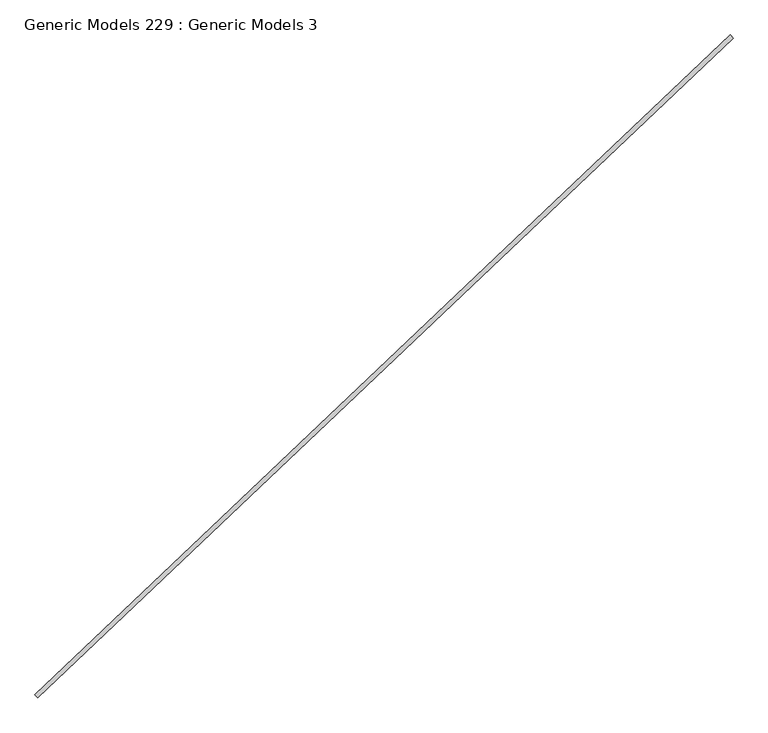
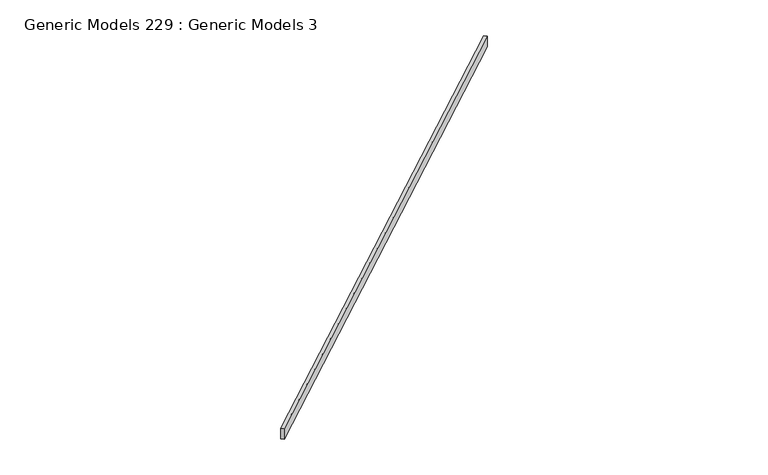
"""IFC4 building model written with IfcOpenShell, lengths in millimetres: proxy geometry, Generic Models 229 : Generic Models 3."""

from ifc_helpers import new_model, si_unit, frame, origin, place, context, project, spatial, polyline, outline, extrude, source, transform, mapped, element, save


def generic_models_229_generic_models_3_b7c2eba0(model_context):
    return source(origin(), model_context, "Body", "SweptSolid", [
        extrude(outline(polyline([(116070.6248316, 52946.4308416), (116126.1915765, 52887.8757101), (103387.9466503, 40799.732633), (103332.3799053, 40858.2877645), (116070.6248316, 52946.4308416)])), frame((0.0, 0.0, 17999.0449279), z_axis=(0.0, 0.0, 1.0), x_axis=(1.0, 0.0, 0.0)), (0.0, 0.0, 1.0), 322.3488355),
    ])


if __name__ == "__main__":
    model = new_model("IFC4")
    model_context = context("Model", 3, world=origin())
    ifc_project = project(units=[si_unit("LENGTHUNIT", "METRE", prefix="MILLI")], contexts=[model_context])
    site = spatial("IfcSite", under=ifc_project)
    building = spatial("IfcBuilding", under=site)
    placement = place(None, origin())
    generic_models_229_generic_models_3_shape = generic_models_229_generic_models_3_b7c2eba0(model_context)
    element("IfcBuildingElementProxy", 1, Name="Generic Models 229 : Generic Models 3", ObjectType="Generic Models 229 : Generic Models 3", at=placement, inside=building, context=model_context, shape_type="MappedRepresentation", body=[
        mapped(generic_models_229_generic_models_3_shape, transform((0.0, 0.0, 0.0), x_axis=(1.0, 0.0, 0.0), y_axis=(0.0, 1.0, 0.0), z_axis=(0.0, 0.0, 1.0))),
    ])
    save(model, "model.ifc")
